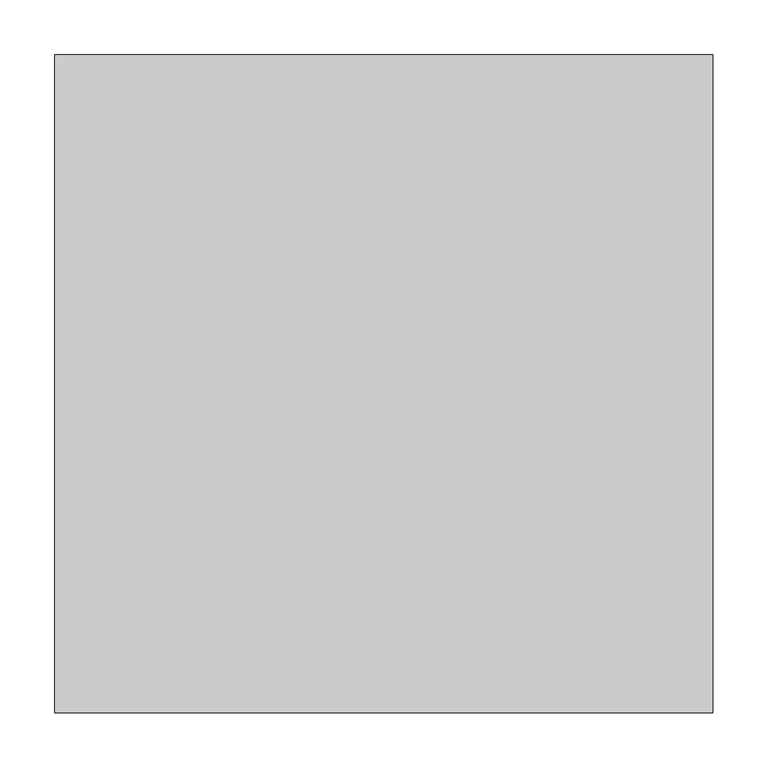
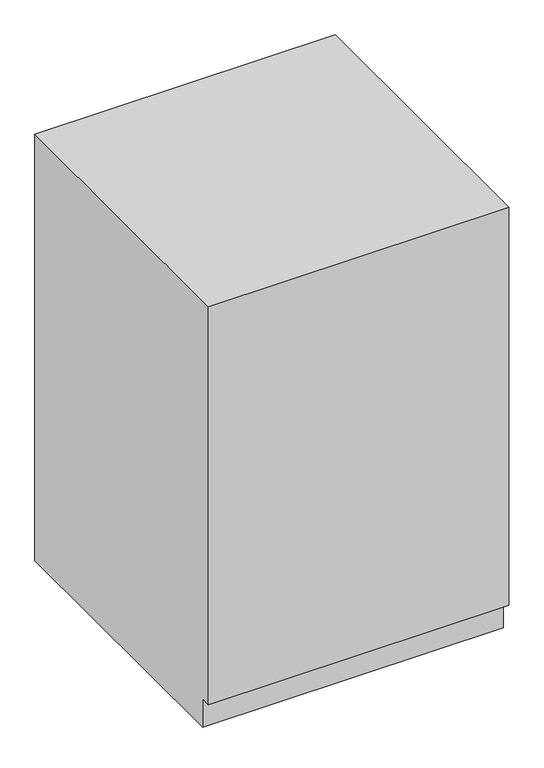
"""IFC4 building model written with IfcOpenShell, lengths in millimetres: proxy geometry."""

import ifcopenshell
import ifcopenshell.guid

model = None  # the IFC model being written
_history = None  # IfcOwnerHistory: only IFC2X3 demands one
_inside = {}  # id of a spatial element -> (the spatial element, [elements in it])
_under = {}  # id of a project, library or spatial element -> (it, [spatial elements below it])
_declared = {}  # id of a project -> (the project, [libraries it declares])
_typed = {}  # id of a type object -> (the type object, [elements of that type])
_made_of = {}  # id of a material, layer set ... -> (it, [elements and type objects made of it])


def new_model(schema):
    """Start an empty IFC model of exactly this schema.

    Asked for "IFC4X3", IfcOpenShell would pick the latest addendum, in which some entities
    have other attributes; the version numbers below select the first issue.
    IFC2X3 requires an IfcOwnerHistory on every rooted entity: one is made here for all.
    """
    global model, _history
    if schema == "IFC4X3":
        model = ifcopenshell.file(schema_version=(4, 3, 0, 0))
    else:
        model = ifcopenshell.file(schema=schema)
    _inside.clear()
    _under.clear()
    _declared.clear()
    _typed.clear()
    _made_of.clear()
    _history = None
    if model.schema == "IFC2X3":
        org = make("IfcOrganization", Name="unknown")
        user = make(
            "IfcPersonAndOrganization",
            ThePerson=make("IfcPerson", FamilyName="unknown"),
            TheOrganization=org,
        )
        app = make(
            "IfcApplication",
            ApplicationDeveloper=org,
            Version="unknown",
            ApplicationFullName="unknown",
            ApplicationIdentifier="unknown",
        )
        _history = make(
            "IfcOwnerHistory",
            OwningUser=user,
            OwningApplication=app,
            ChangeAction="ADDED",
            CreationDate=0,
        )
    return model


def make(cls, **values):
    """One entity of the class cls with the attributes given. An attribute that is None is left unset."""
    return model.create_entity(
        cls, **{name: value for name, value in values.items() if value is not None}
    )


def rooted(cls, **values):
    """An entity with a GlobalId (a new one), such as an element, a storey or a relation."""
    return make(cls, GlobalId=ifcopenshell.guid.new(), OwnerHistory=_history, **values)


def si_unit(unit_type, name, prefix=None):
    """IfcSIUnit, for example si_unit("LENGTHUNIT", "METRE", prefix="MILLI")."""
    return make("IfcSIUnit", UnitType=unit_type, Prefix=prefix, Name=name)


def assignment(units):
    """IfcUnitAssignment: the units of a project."""
    return None if units is None else make("IfcUnitAssignment", Units=units)


def point(xyz):
    """IfcCartesianPoint."""
    return None if xyz is None else make("IfcCartesianPoint", Coordinates=xyz)


def direction(xyz):
    """IfcDirection."""
    return None if xyz is None else make("IfcDirection", DirectionRatios=xyz)


def frame(location, z_axis=None, x_axis=None):
    """IfcAxis2Placement3D, a coordinate frame: its origin and axes. An axis left out is left unset."""
    return make(
        "IfcAxis2Placement3D",
        Location=point(location),
        Axis=direction(z_axis),
        RefDirection=direction(x_axis),
    )


def origin():
    """The frame at (0, 0, 0) with its axes left unset."""
    return frame((0.0, 0.0, 0.0))


def place(relative_to, where):
    """IfcLocalPlacement: puts the frame where relative to a parent placement (None: the world)."""
    return make(
        "IfcLocalPlacement", PlacementRelTo=relative_to, RelativePlacement=where
    )


def context(
    kind, dimensions, precision=None, world=None, true_north=None, identifier=None
):
    """IfcGeometricRepresentationContext, for example the 3D "Model" context."""
    return make(
        "IfcGeometricRepresentationContext",
        ContextIdentifier=identifier,
        ContextType=kind,
        CoordinateSpaceDimension=dimensions,
        Precision=precision,
        WorldCoordinateSystem=world,
        TrueNorth=true_north,
    )


def project(units=None, contexts=None):
    """IfcProject with its units and contexts."""
    return rooted(
        "IfcProject",
        Name="project",
        RepresentationContexts=contexts,
        UnitsInContext=assignment(units),
    )


def spatial(cls, under=None, at=None, **own):
    """A site, building, storey or space (cls), placed at a placement, below another one or the project."""
    s = rooted(cls, ObjectPlacement=at, **own)
    if under is not None:
        _under.setdefault(under.id(), (under, []))[1].append(s)
    return s


def polyline(points):
    """IfcPolyline through the points."""
    return make("IfcPolyline", Points=[point(p) for p in points])


def outline(outer, holes=None, kind="AREA"):
    """IfcArbitraryClosedProfileDef: a profile drawn as a closed curve; with holes, ...WithVoids."""
    if holes is None:
        return make("IfcArbitraryClosedProfileDef", ProfileType=kind, OuterCurve=outer)
    return make(
        "IfcArbitraryProfileDefWithVoids",
        ProfileType=kind,
        OuterCurve=outer,
        InnerCurves=holes,
    )


def extrude(swept, where, along, depth):
    """IfcExtrudedAreaSolid: the profile swept, set in the frame where, extruded along a direction by depth."""
    return make(
        "IfcExtrudedAreaSolid",
        SweptArea=swept,
        Position=where,
        ExtrudedDirection=direction(along),
        Depth=depth,
    )


def shape(context_of_items, identifier, shape_type, items):
    """IfcShapeRepresentation: the items that make up one representation, for example the "Body"."""
    return make(
        "IfcShapeRepresentation",
        ContextOfItems=context_of_items,
        RepresentationIdentifier=identifier,
        RepresentationType=shape_type,
        Items=items,
    )


def source(mapping_origin, context_of_items, identifier, shape_type, items):
    """IfcRepresentationMap: a shape defined once, which mapped items show again and again."""
    return make(
        "IfcRepresentationMap",
        MappingOrigin=mapping_origin,
        MappedRepresentation=shape(context_of_items, identifier, shape_type, items),
    )


def transform(
    local_origin,
    x_axis=None,
    y_axis=None,
    z_axis=None,
    scale=None,
    scale2=None,
    scale3=None,
    uniform=True,
):
    """IfcCartesianTransformationOperator3D, or its non-uniform kind. x_axis, y_axis, z_axis: its Axis1, 2, 3."""
    if uniform:
        return make(
            "IfcCartesianTransformationOperator3D",
            Axis1=direction(x_axis),
            Axis2=direction(y_axis),
            LocalOrigin=point(local_origin),
            Scale=scale,
            Axis3=direction(z_axis),
        )
    return make(
        "IfcCartesianTransformationOperator3DnonUniform",
        Axis1=direction(x_axis),
        Axis2=direction(y_axis),
        LocalOrigin=point(local_origin),
        Scale=scale,
        Axis3=direction(z_axis),
        Scale2=scale2,
        Scale3=scale3,
    )


def mapped(mapping_source, mapping_target):
    """IfcMappedItem: shows the shape of a source again, moved by a transform."""
    return make(
        "IfcMappedItem", MappingSource=mapping_source, MappingTarget=mapping_target
    )


def made_of(thing, what):
    """Note that an element or type object is made of a material, layer set ...; save() writes the relation."""
    if what is not None:
        _made_of.setdefault(what.id(), (what, []))[1].append(thing)
    return thing


def element(
    cls,
    number,
    at=None,
    inside=None,
    cuts=None,
    type_object=None,
    material=None,
    context=None,
    identifier="Body",
    shape_type=None,
    held_by="IfcProductDefinitionShape",
    body=None,
    shapes=None,
    **own,
):
    """One element of the class cls, such as IfcWall. Its Tag is "e" and its number.

    at: its placement. inside: the storey or other place that contains it. cuts: it is an
    opening in that element (IfcRelVoidsElement). A single representation is given by context,
    identifier, shape_type and body (its items); several are given by shapes. held_by: the class
    of the entity that holds the representations. save() writes the other relations.
    """
    e = rooted(cls, Tag="e%d" % number, ObjectPlacement=at, **own)
    if body is not None:
        shapes = [shape(context, identifier, shape_type, body)]
    if shapes is not None:
        e.Representation = make(held_by, Representations=shapes)
    if inside is not None:
        _inside.setdefault(inside.id(), (inside, []))[1].append(e)
    if cuts is not None:
        rooted(
            "IfcRelVoidsElement", RelatingBuildingElement=cuts, RelatedOpeningElement=e
        )
    if type_object is not None:
        _typed.setdefault(type_object.id(), (type_object, []))[1].append(e)
    return made_of(e, material)


def aggregate(whole, parts):
    """IfcRelAggregates: a whole, such as a stair, and the parts it consists of."""
    return rooted("IfcRelAggregates", RelatingObject=whole, RelatedObjects=parts)


def save(model, path):
    """Write the relations noted so far, then the file.

    IfcRelAggregates (storeys below a building ...), IfcRelContainedInSpatialStructure (elements
    in a storey), IfcRelDefinesByType, IfcRelAssociatesMaterial and IfcRelDeclares: one each for
    every whole, place, type object, material and project.
    """
    for whole, parts in _under.values():
        aggregate(whole, parts)
    for where, things in _inside.values():
        rooted(
            "IfcRelContainedInSpatialStructure",
            RelatedElements=things,
            RelatingStructure=where,
        )
    for kind, things in _typed.values():
        rooted("IfcRelDefinesByType", RelatedObjects=things, RelatingType=kind)
    for what, things in _made_of.values():
        rooted("IfcRelAssociatesMaterial", RelatedObjects=things, RelatingMaterial=what)
    for by, libraries in _declared.values():
        rooted("IfcRelDeclares", RelatingContext=by, RelatedDefinitions=libraries)
    model.write(path)


def specialty_equipment_ff9a1adf(model_context):
    return source(origin(), model_context, "Body", "SweptSolid", [
        extrude(outline(polyline([(-600.0, 0.0), (0.0, 0.0), (0.0, -900.0), (-580.0, -900.0), (-580.0, -840.0), (-600.0, -840.0), (-600.0, 0.0)])), frame((-300.0, 0.0, 0.0), z_axis=(1.0, 0.0, 0.0), x_axis=(0.0, 1.0, 0.0)), (0.0, 0.0, 1.0), 600.0),
    ])


if __name__ == "__main__":
    model = new_model("IFC4")
    model_context = context("Model", 3, world=origin())
    ifc_project = project(units=[si_unit("LENGTHUNIT", "METRE", prefix="MILLI")], contexts=[model_context])
    site = spatial("IfcSite", under=ifc_project)
    building = spatial("IfcBuilding", under=site)
    placement = place(None, origin())
    specialty_equipment_shape = specialty_equipment_ff9a1adf(model_context)
    element("IfcBuildingElementProxy", 1, Name="Specialty Equipment", at=placement, inside=building, context=model_context, shape_type="MappedRepresentation", body=[
        mapped(specialty_equipment_shape, transform((0.0, 0.0, 0.0), x_axis=(1.0, 0.0, 0.0), y_axis=(0.0, 1.0, 0.0), z_axis=(0.0, 0.0, 1.0))),
    ])
    save(model, "model.ifc")
